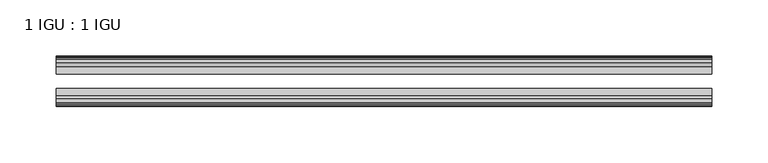
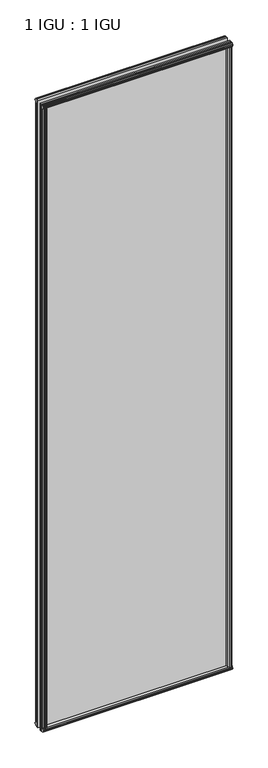
"""IFC4 building model written with IfcOpenShell, lengths in millimetres: plate geometry, 1 IGU : 1 IGU."""

from ifc_helpers import new_model, si_unit, frame, origin, origin_with_axes, place, context, project, spatial, polyline, outline, extrude, source, transform, mapped, element, save


def plate_1_igu_1_igu_a7aa28c8(model_context):
    return source(origin(), model_context, "Body", "SweptSolid", [
        extrude(outline(polyline([(277.8142137, -19.5460937), (279.9194908, -13.1960937), (285.1266852, -13.1960937), (285.5076852, -10.8158968), (284.0921562, -11.27583), (284.0921562, -10.4746158), (286.2696852, -9.7670937), (288.4472143, -10.4746158), (288.4472143, -11.27583), (287.0316852, -10.8158968), (287.4126852, -13.1960937), (291.8576852, -13.1960937), (291.8576852, -16.1419073), (289.6446077, -19.5460937), (277.8142137, -19.5460937)])), origin_with_axes(), (0.0, 0.0, 1.0), 2019.3),
        extrude(outline(polyline([(-277.8142137, -19.5460937), (-289.6446077, -19.5460937), (-291.8576852, -16.1419073), (-291.8576852, -13.1960937), (-287.4126852, -13.1960937), (-287.0316852, -10.8158968), (-288.4472143, -11.27583), (-288.4472143, -10.4746158), (-286.2696852, -9.7670937), (-284.0921562, -10.4746158), (-284.0921562, -11.27583), (-285.5076852, -10.8158968), (-285.1266852, -13.1960937), (-279.9194908, -13.1960937), (-277.8142137, -19.5460937)])), origin_with_axes(), (0.0, 0.0, 1.0), 2019.3),
        extrude(outline(polyline([(-16.1419073, -12.4576852), (-19.5460937, -10.2446077), (-19.5460937, 1.5857863), (-13.1960937, -0.5194908), (-13.1960937, -5.7266852), (-10.8158968, -6.1076852), (-11.27583, -4.6921562), (-10.4746158, -4.6921562), (-9.7670937, -6.8696852), (-10.4746158, -9.0472143), (-11.27583, -9.0472143), (-10.8158968, -7.6316852), (-13.1960937, -8.0126852), (-13.1960937, -12.4576852), (-16.1419073, -12.4576852)])), frame((-292.1, 0.0, 0.0), z_axis=(1.0, 0.0, 0.0), x_axis=(0.0, 1.0, 0.0)), (0.0, 0.0, 1.0), 584.2),
        extrude(outline(polyline([(-48.3502802, -11.938), (-51.2960937, -11.938), (-51.2960937, -7.493), (-53.6762907, -7.112), (-53.2163575, -8.5275291), (-54.0175717, -8.5275291), (-54.7250937, -6.35), (-54.0175717, -4.172471), (-53.2163575, -4.172471), (-53.6762907, -5.588), (-51.2960937, -5.207), (-51.2960937, 0.0001944), (-44.9460937, 2.1054715), (-44.9460937, -9.7249225), (-48.3502802, -11.938)])), frame((-292.1, 0.0, 0.0), z_axis=(1.0, 0.0, 0.0), x_axis=(0.0, 1.0, 0.0)), (0.0, 0.0, 1.0), 584.2),
        extrude(outline(polyline([(-16.1028367, 2031.7576852), (-13.1960937, 2031.7576852), (-13.1960937, 2027.3126852), (-10.8158968, 2026.9316852), (-11.27583, 2028.3472143), (-10.4746158, 2028.3472143), (-9.7670937, 2026.1696852), (-10.4746158, 2023.9921562), (-11.27583, 2023.9921562), (-10.8158968, 2025.4076852), (-13.1960937, 2025.0266852), (-13.1960937, 2019.7940908), (-19.5460937, 2017.6888137), (-19.5460937, 2029.5192077), (-16.1028367, 2031.7576852)])), frame((-292.1, 0.0, 0.0), z_axis=(1.0, 0.0, 0.0), x_axis=(0.0, 1.0, 0.0)), (0.0, 0.0, 1.0), 584.2),
        extrude(outline(polyline([(-48.3893508, 2031.2126), (-44.9460937, 2028.9741225), (-44.9460937, 2017.1437285), (-51.2960937, 2019.2490056), (-51.2960937, 2024.4816), (-53.6762907, 2024.8626), (-53.2163575, 2023.447071), (-54.0175717, 2023.447071), (-54.7250938, 2025.6246), (-54.0175717, 2027.8021291), (-53.2163575, 2027.8021291), (-53.6762907, 2026.3866), (-51.2960937, 2026.7676), (-51.2960937, 2031.2126), (-48.3893508, 2031.2126)])), frame((-292.1, 0.0, 0.0), z_axis=(1.0, 0.0, 0.0), x_axis=(0.0, 1.0, 0.0)), (0.0, 0.0, 1.0), 584.2),
        extrude(outline(polyline([(-277.2945285, -44.9460938), (-279.3998056, -51.2960938), (-284.607, -51.2960938), (-284.988, -53.6762907), (-283.572471, -53.2163575), (-283.572471, -54.0175717), (-285.75, -54.7250938), (-287.9275291, -54.0175717), (-287.9275291, -53.2163575), (-286.512, -53.6762907), (-286.893, -51.2960938), (-291.338, -51.2960938), (-291.338, -48.3502802), (-289.1249225, -44.9460938), (-277.2945285, -44.9460938)])), origin_with_axes(), (0.0, 0.0, 1.0), 2019.3),
        extrude(outline(polyline([(277.2945285, -44.9460938), (289.1249225, -44.9460938), (291.338, -48.3502802), (291.338, -51.2960938), (286.893, -51.2960938), (286.512, -53.6762907), (287.9275291, -53.2163575), (287.9275291, -54.0175717), (285.75, -54.7250938), (283.572471, -54.0175717), (283.572471, -53.2163575), (284.988, -53.6762907), (284.607, -51.2960938), (279.3998056, -51.2960938), (277.2945285, -44.9460938)])), origin_with_axes(), (0.0, 0.0, 1.0), 2019.3),
        extrude(outline(polyline([(292.1, -19.5460937), (292.1, -25.8337453), (-292.1, -25.8337453), (-292.1, -19.5460937), (292.1, -19.5460937)])), frame((0.0, 0.0, -12.7), z_axis=(0.0, 0.0, 1.0), x_axis=(1.0, 0.0, 0.0)), (0.0, 0.0, 1.0), 2044.6872998),
        extrude(outline(polyline([(-292.1, -44.9460937), (-292.1, -38.6468938), (292.1, -38.6468938), (292.1, -44.9460937), (-292.1, -44.9460937)])), frame((0.0, 0.0, -12.7), z_axis=(0.0, 0.0, 1.0), x_axis=(1.0, 0.0, 0.0)), (0.0, 0.0, 1.0), 2044.6872998),
    ])


if __name__ == "__main__":
    model = new_model("IFC4")
    model_context = context("Model", 3, world=origin())
    ifc_project = project(units=[si_unit("LENGTHUNIT", "METRE", prefix="MILLI")], contexts=[model_context])
    site = spatial("IfcSite", under=ifc_project)
    building = spatial("IfcBuilding", under=site)
    placement = place(None, origin())
    plate_1_igu_1_igu_shape = plate_1_igu_1_igu_a7aa28c8(model_context)
    element("IfcPlate", 1, ObjectType="1 IGU : 1 IGU", at=placement, inside=building, context=model_context, shape_type="MappedRepresentation", body=[
        mapped(plate_1_igu_1_igu_shape, transform((0.0, 0.0, 0.0), x_axis=(1.0, 0.0, 0.0), y_axis=(0.0, 1.0, 0.0), z_axis=(0.0, 0.0, 1.0))),
    ])
    save(model, "model.ifc")
